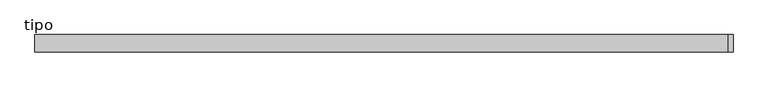
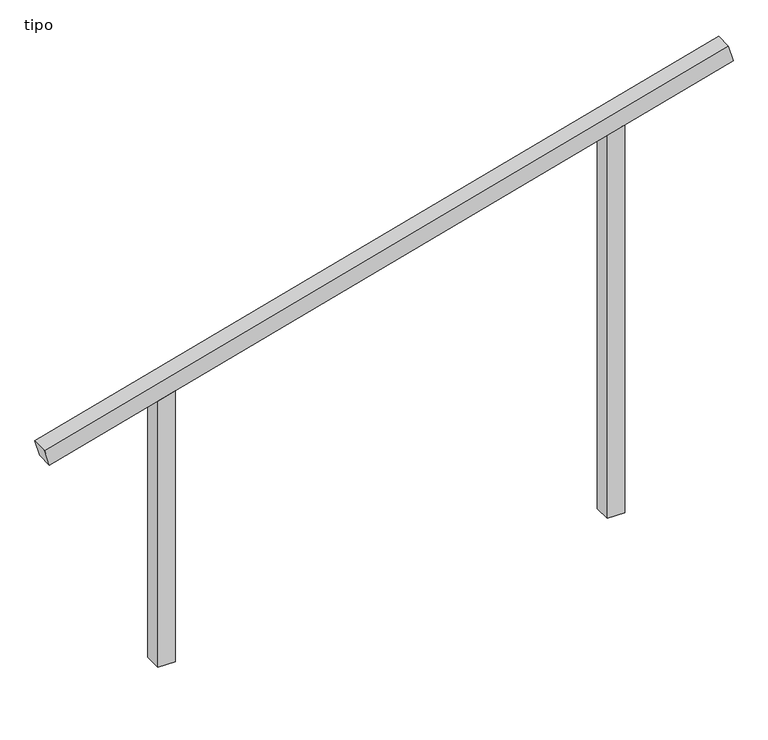
"""IFC4 building model written with IfcOpenShell, lengths in millimetres: proxy geometry, tipo."""

from ifc_helpers import new_model, si_unit, frame, origin, place, context, project, spatial, polyline, outline, extrude, source, transform, mapped, element, save


def tipo_34033768(model_context):
    return source(origin(), model_context, "Body", "SweptSolid", [
        extrude(outline(polyline([(0.0, -4100.0), (0.0, 0.0), (100.0, 0.0), (100.0, -4100.0), (0.0, -4100.0)])), frame((-1976.3768908, -100.0, 1455.5421178), z_axis=(-0.265589210830014, 0.0, 0.9640862881976335), x_axis=(0.0, 1.0, 0.0)), (0.0, 0.0, 1.0), 100.0),
        extrude(outline(polyline([(2371.901809, 1350.0), (2344.3535269, 1250.0), (0.0, 1250.0), (0.0, 1350.0), (2371.901809, 1350.0)])), frame((0.0, -100.0, 0.0), z_axis=(0.0, 1.0, 0.0), x_axis=(0.0, 0.0, 1.0)), (0.0, 0.0, 1.0), 100.0),
        extrude(outline(polyline([(1628.098191, -1350.0), (0.0, -1350.0), (0.0, -1250.0), (1655.6464731, -1250.0), (1628.098191, -1350.0)])), frame((0.0, -100.0, 0.0), z_axis=(0.0, 1.0, 0.0), x_axis=(0.0, 0.0, 1.0)), (0.0, 0.0, 1.0), 100.0),
    ])


if __name__ == "__main__":
    model = new_model("IFC4")
    model_context = context("Model", 3, world=origin())
    ifc_project = project(units=[si_unit("LENGTHUNIT", "METRE", prefix="MILLI")], contexts=[model_context])
    site = spatial("IfcSite", under=ifc_project)
    building = spatial("IfcBuilding", under=site)
    placement = place(None, origin())
    tipo_shape = tipo_34033768(model_context)
    element("IfcBuildingElementProxy", 1, Name="tipo", ObjectType="tipo", at=placement, inside=building, context=model_context, shape_type="MappedRepresentation", body=[
        mapped(tipo_shape, transform((0.0, 0.0, 0.0), x_axis=(1.0, 0.0, 0.0), y_axis=(0.0, 1.0, 0.0), z_axis=(0.0, 0.0, 1.0))),
    ])
    save(model, "model.ifc")
